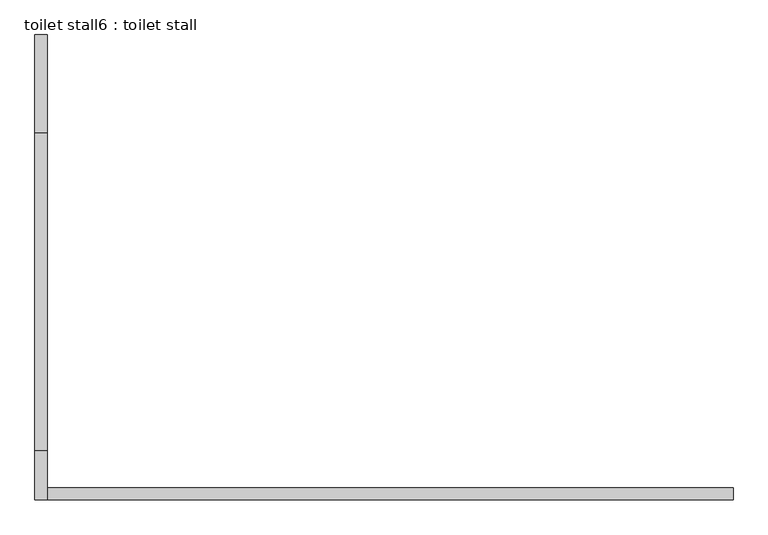
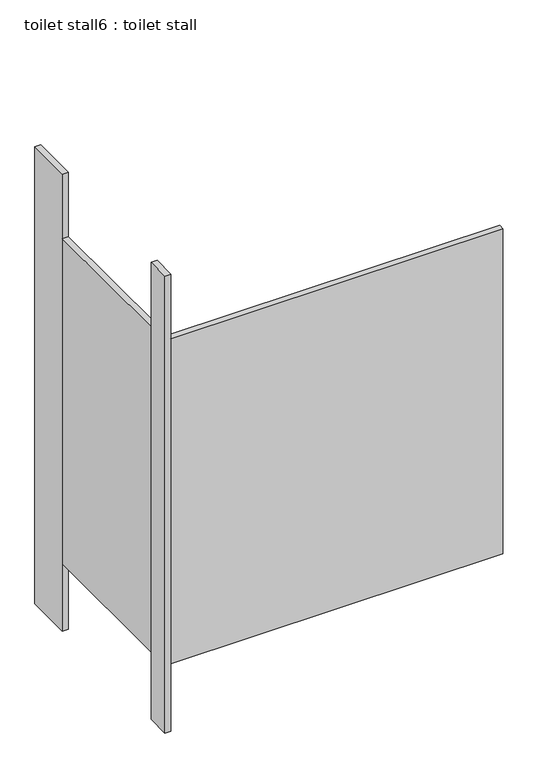
"""IFC4 building model written with IfcOpenShell, lengths in millimetres: proxy geometry, toilet stall6 : toilet stall."""

from ifc_helpers import new_model, si_unit, frame, origin, origin_with_axes, place, context, project, spatial, polyline, outline, extrude, source, transform, mapped, element, save


def toilet_stall6_toilet_stall_bdb1cb64(model_context):
    return source(origin(), model_context, "Body", "SweptSolid", [
        extrude(outline(polyline([(454658.2004676, -268423.2113632), (454632.8004676, -268423.2113632), (454632.8004676, -268220.0113632), (454658.2004676, -268220.0113632), (454658.2004676, -268423.2113632)])), origin_with_axes(), (0.0, 0.0, 1.0), 2070.1),
        extrude(outline(polyline([(454658.2004676, -269185.2113632), (454632.8004676, -269185.2113632), (454632.8004676, -269083.6113632), (454658.2004676, -269083.6113632), (454658.2004676, -269185.2113632)])), origin_with_axes(), (0.0, 0.0, 1.0), 2070.1),
        extrude(outline(polyline([(454658.2004676, -269185.2113632), (454658.2004676, -269159.8113632), (456080.6004676, -269159.8113632), (456080.6004676, -269185.2113632), (454658.2004676, -269185.2113632)])), frame((0.0, 0.0, 304.8), z_axis=(0.0, 0.0, 1.0), x_axis=(1.0, 0.0, 0.0)), (0.0, 0.0, 1.0), 1473.2),
        extrude(outline(polyline([(454658.2004676, -269083.6113632), (454632.8004676, -269083.6113632), (454632.8004676, -268423.2113632), (454658.2004676, -268423.2113632), (454658.2004676, -269083.6113632)])), frame((0.0, 0.0, 304.8), z_axis=(0.0, 0.0, 1.0), x_axis=(1.0, 0.0, 0.0)), (0.0, 0.0, 1.0), 1473.2),
    ])


if __name__ == "__main__":
    model = new_model("IFC4")
    model_context = context("Model", 3, world=origin())
    ifc_project = project(units=[si_unit("LENGTHUNIT", "METRE", prefix="MILLI")], contexts=[model_context])
    site = spatial("IfcSite", under=ifc_project)
    building = spatial("IfcBuilding", under=site)
    placement = place(None, origin())
    toilet_stall6_toilet_stall_shape = toilet_stall6_toilet_stall_bdb1cb64(model_context)
    element("IfcBuildingElementProxy", 1, Name="toilet stall6 : toilet stall", ObjectType="toilet stall6 : toilet stall", at=placement, inside=building, context=model_context, shape_type="MappedRepresentation", body=[
        mapped(toilet_stall6_toilet_stall_shape, transform((0.0, 0.0, 0.0), x_axis=(1.0, 0.0, 0.0), y_axis=(0.0, 1.0, 0.0), z_axis=(0.0, 0.0, 1.0))),
    ])
    save(model, "model.ifc")
